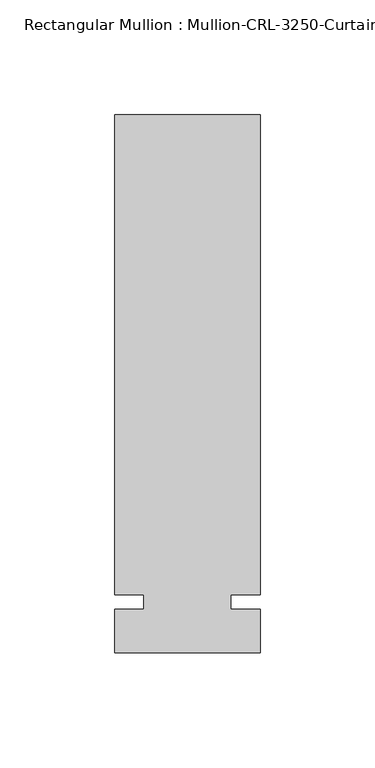
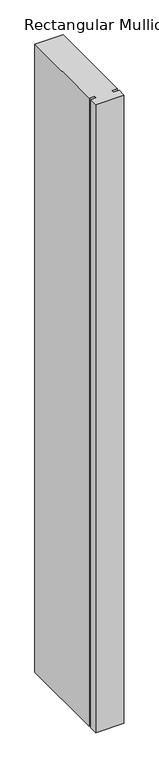
"""IFC4 building model written with IfcOpenShell, lengths in millimetres: member geometry."""

from ifc_helpers import new_model, si_unit, frame, origin, place, context, project, spatial, polyline, outline, extrude, source, transform, mapped, element, save


def member_f0a71f87(model_context):
    return source(origin(), model_context, "Body", "SweptSolid", [
        extrude(outline(polyline([(31.7499985, -3.175), (31.7499985, -22.2254168), (-31.7499985, -22.2254168), (-31.7499985, -3.175), (-19.0499985, -3.175), (-19.0499985, 3.175), (-31.7499985, 3.175), (-31.7499985, 212.7246169), (31.7499985, 212.7246169), (31.7499985, 3.175), (19.0499985, 3.175), (19.0499985, -3.175), (31.7499985, -3.175)])), frame((0.0, 0.0, -1485.9), z_axis=(0.0, 0.0, 1.0), x_axis=(1.0, 0.0, 0.0)), (0.0, 0.0, 1.0), 1485.9),
    ])


if __name__ == "__main__":
    model = new_model("IFC4")
    model_context = context("Model", 3, world=origin())
    ifc_project = project(units=[si_unit("LENGTHUNIT", "METRE", prefix="MILLI")], contexts=[model_context])
    site = spatial("IfcSite", under=ifc_project)
    building = spatial("IfcBuilding", under=site)
    placement = place(None, origin())
    member_shape = member_f0a71f87(model_context)
    element("IfcMember", 1, ObjectType="Rectangular Mullion : Mullion-CRL-3250-Curtain_Wall-Intermediate_Vertical-8\"", at=placement, inside=building, context=model_context, shape_type="MappedRepresentation", body=[
        mapped(member_shape, transform((0.0, 0.0, 0.0), x_axis=(1.0, 0.0, 0.0), y_axis=(0.0, 1.0, 0.0), z_axis=(0.0, 0.0, 1.0))),
    ])
    save(model, "model.ifc")
